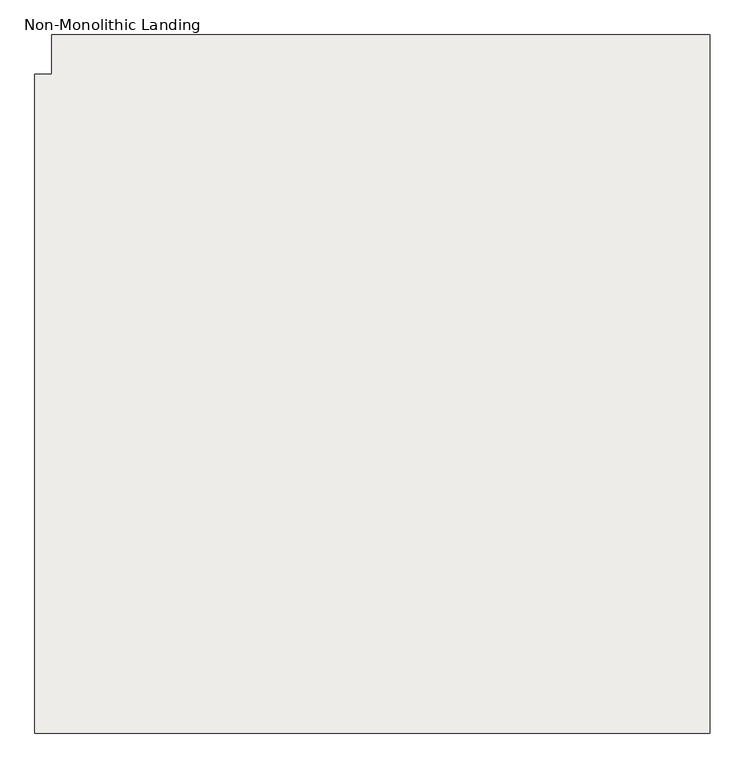
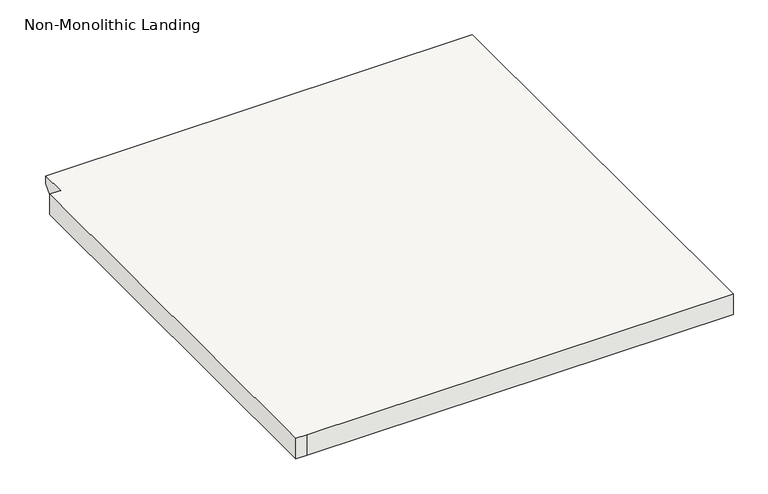
"""IFC4 building model written with IfcOpenShell, lengths in millimetres: slab geometry, Non-Monolithic Landing."""

from ifc_helpers import new_model, si_unit, origin, place, context, project, spatial, faceted_brep, source, transform, mapped, element, save


def non_monolithic_landing_6fda4d5c(model_context):
    return source(origin(), model_context, "Body", "Brep", [
        faceted_brep([(2670.2555789, -1961.8133666, 89080.0), (2644.8555789, -1961.8133666, 89080.0), (2644.8555789, -2961.8133666, 89080.0), (2670.2555789, -2961.8133666, 89080.0), (3670.2555789, -2961.8133666, 89080.0), (3670.2555789, -1901.8133666, 89080.0), (2670.2555789, -1901.8133666, 89080.0), (2670.2555789, -1927.2133666, 89029.2), (3670.2555789, -1927.2133666, 89029.2), (3670.2555789, -2961.8133666, 89029.2), (2670.2555789, -2961.8133666, 89029.2), (2644.8555789, -2961.8133666, 89029.2), (2644.8555789, -1961.8133666, 89029.2), (2670.2555789, -1961.8133666, 89029.2), (2670.2555789, -1927.2133666, 89035.55), (3670.2555789, -1927.2133666, 89035.55), (3670.2555789, -1901.8133666, 89060.95), (2670.2555789, -1901.8133666, 89060.95)], [[[0, 1, 2, 3, 4, 5, 6]], [[7, 8, 9, 10, 11, 12, 13]], [[8, 7, 14, 15]], [[2, 1, 12, 11]], [[3, 2, 11, 10]], [[4, 3, 10, 9]], [[5, 4, 9, 8, 15, 16]], [[17, 6, 5, 16]], [[14, 17, 16, 15]], [[0, 6, 17, 14, 7, 13]], [[1, 0, 13, 12]]]),
    ])


if __name__ == "__main__":
    model = new_model("IFC4")
    model_context = context("Model", 3, world=origin())
    ifc_project = project(units=[si_unit("LENGTHUNIT", "METRE", prefix="MILLI")], contexts=[model_context])
    site = spatial("IfcSite", under=ifc_project)
    building = spatial("IfcBuilding", under=site)
    placement = place(None, origin())
    non_monolithic_landing_shape = non_monolithic_landing_6fda4d5c(model_context)
    element("IfcSlab", 1, ObjectType="Non-Monolithic Landing", at=placement, inside=building, context=model_context, shape_type="MappedRepresentation", body=[
        mapped(non_monolithic_landing_shape, transform((0.0, 0.0, 0.0), x_axis=(1.0, 0.0, 0.0), y_axis=(0.0, 1.0, 0.0), z_axis=(0.0, 0.0, 1.0))),
    ])
    save(model, "model.ifc")
